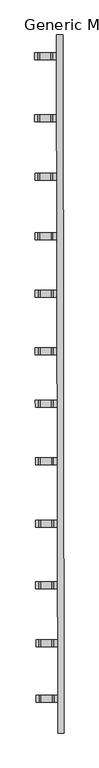
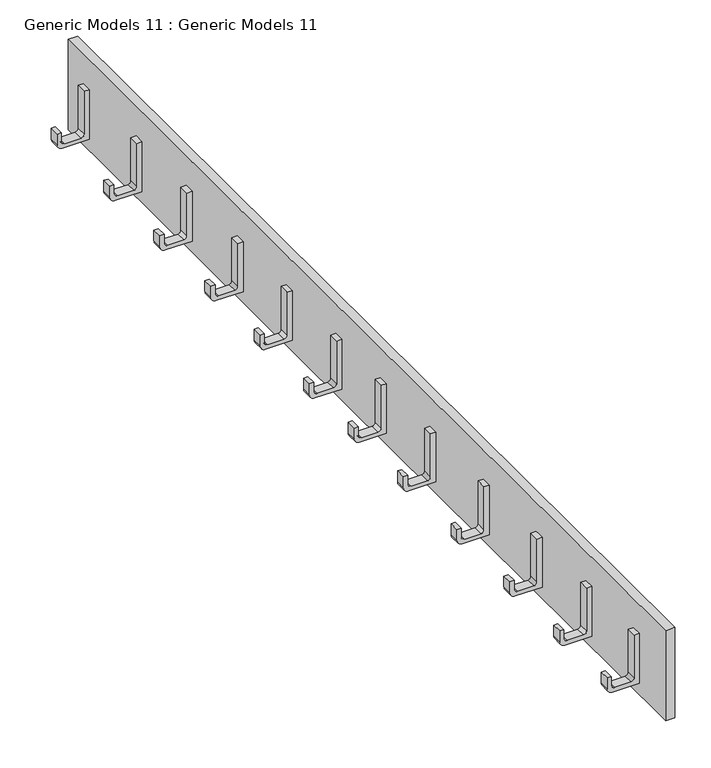
"""IFC4 building model written with IfcOpenShell, lengths in millimetres: proxy geometry, Generic Models 11 : Generic Models 11."""

from ifc_helpers import new_model, si_unit, point, frame, frame_2d, origin, place, context, project, spatial, polyline, circle_curve, trimmed, segment, composite_curve, outline, extrude, source, transform, mapped, element, save


def generic_models_11_generic_models_11_9617f641(model_context):
    return source(origin(), model_context, "Body", "SweptSolid", [
        extrude(outline(composite_curve([segment(trimmed(circle_curve(frame_2d((73.8551506, 4.522658)), 4.522658), [point((73.8551506, 0.0))], [point((78.3778085, 4.522658))], True, "CARTESIAN"), True, "CONTINUOUS"), segment(polyline([(78.3778085, 4.522658), (78.3778085, 31.1352465)]), True, "CONTINUOUS"), segment(trimmed(circle_curve(frame_2d((72.6226439, 31.1352465)), 5.7551646), [point((78.3778085, 31.1352465))], [point((72.6226439, 36.8904112))], True, "CARTESIAN"), True, "CONTINUOUS"), segment(polyline([(72.6226439, 36.8904112), (57.7873774, 36.8904112), (57.7873774, 43.6591897), (76.2819351, 43.6591897)]), True, "CONTINUOUS"), segment(trimmed(circle_curve(frame_2d((76.2819351, 35.0786331)), 8.5805566), [point((76.2819351, 43.6591897))], [point((84.8624918, 35.0786331))], False, "CARTESIAN"), True, "CONTINUOUS"), segment(polyline([(84.8624918, 35.0786331), (84.8624918, -8.37418), (0.0, -8.37418), (0.0, 0.0), (73.8551506, 0.0)]), True, "CONTINUOUS")], self_intersect=False)), frame((-40921.6108133, 48640.8245581, 110284.4159556), z_axis=(-0.0016554873055277012, 0.9999986296799518, 0.0), x_axis=(0.0, 0.0, -1.0)), (0.0, 0.0, 1.0), 16.4817711),
        extrude(outline(composite_curve([segment(trimmed(circle_curve(frame_2d((0.0, 4.5226579)), 4.522658), [point((-4.5226579, 4.5226579))], [point((0.0, 0.0))], True, "CARTESIAN"), True, "CONTINUOUS"), segment(polyline([(0.0, 0.0), (26.6125886, 0.0)]), True, "CONTINUOUS"), segment(trimmed(circle_curve(frame_2d((26.6125886, 5.7551646)), 5.7551646), [point((26.6125886, 0.0))], [point((32.3677532, 5.7551646))], True, "CARTESIAN"), True, "CONTINUOUS"), segment(polyline([(32.3677532, 5.7551646), (32.3677532, 20.5904311), (39.1365317, 20.5904311), (39.1365317, 2.0958734)]), True, "CONTINUOUS"), segment(trimmed(circle_curve(frame_2d((30.5559752, 2.0958734)), 8.5805566), [point((39.1365317, 2.0958734))], [point((30.5559752, -6.4846833))], False, "CARTESIAN"), True, "CONTINUOUS"), segment(polyline([(30.5559752, -6.4846833), (-12.896838, -6.4846833), (-12.896838, 78.3778085), (-4.5226579, 78.3778085), (-4.5226579, 4.5226579)]), True, "CONTINUOUS")], self_intersect=False)), frame((-40925.9888628, 48498.4699622, 110206.0381471), z_axis=(-0.001655487305867182, 0.9999986296799511, 0.0), x_axis=(-0.9999986296799511, -0.001655487305867182, 0.0)), (0.0, 0.0, 1.0), 16.4817711),
        extrude(outline(composite_curve([segment(trimmed(circle_curve(frame_2d((0.0, 4.5226579)), 4.522658), [point((-4.522658, 4.5226579))], [point((0.0, 0.0))], True, "CARTESIAN"), True, "CONTINUOUS"), segment(polyline([(0.0, 0.0), (26.6125886, 0.0)]), True, "CONTINUOUS"), segment(trimmed(circle_curve(frame_2d((26.6125886, 5.7551646)), 5.7551646), [point((26.6125886, 0.0))], [point((32.3677532, 5.7551646))], True, "CARTESIAN"), True, "CONTINUOUS"), segment(polyline([(32.3677532, 5.7551646), (32.3677532, 20.5904311), (39.1365317, 20.5904311), (39.1365317, 2.0958734)]), True, "CONTINUOUS"), segment(trimmed(circle_curve(frame_2d((30.5559751, 2.0958734)), 8.5805566), [point((39.1365317, 2.0958734))], [point((30.5559751, -6.4846833))], False, "CARTESIAN"), True, "CONTINUOUS"), segment(polyline([(30.5559751, -6.4846833), (-12.896838, -6.4846833), (-12.896838, 78.3778085), (-4.522658, 78.3778085), (-4.522658, 4.5226579)]), True, "CONTINUOUS")], self_intersect=False)), frame((-40926.3976256, 48780.3834672, 110206.0381471), z_axis=(-0.001655487305867182, 0.9999986296799511, 0.0), x_axis=(-0.9999986296799511, -0.001655487305867182, 0.0)), (0.0, 0.0, 1.0), 16.4817711),
        extrude(outline(composite_curve([segment(trimmed(circle_curve(frame_2d((73.8551506, 4.522658)), 4.522658), [point((73.8551506, 0.0))], [point((78.3778085, 4.522658))], True, "CARTESIAN"), True, "CONTINUOUS"), segment(polyline([(78.3778085, 4.522658), (78.3778085, 31.1352466)]), True, "CONTINUOUS"), segment(trimmed(circle_curve(frame_2d((72.6226439, 31.1352466)), 5.7551646), [point((78.3778085, 31.1352466))], [point((72.6226439, 36.8904112))], True, "CARTESIAN"), True, "CONTINUOUS"), segment(polyline([(72.6226439, 36.8904112), (57.7873774, 36.8904112), (57.7873774, 43.6591897), (76.2819351, 43.6591897)]), True, "CONTINUOUS"), segment(trimmed(circle_curve(frame_2d((76.2819351, 35.0786331)), 8.5805566), [point((76.2819351, 43.6591897))], [point((84.8624918, 35.0786331))], False, "CARTESIAN"), True, "CONTINUOUS"), segment(polyline([(84.8624918, 35.0786331), (84.8624918, -8.37418), (0.0, -8.37418), (0.0, 0.0), (73.8551506, 0.0)]), True, "CONTINUOUS")], self_intersect=False)), frame((-40922.019576, 48927.7380631, 110284.4159556), z_axis=(-0.0016554873055277012, 0.9999986296799518, 0.0), x_axis=(0.0, 0.0, -1.0)), (0.0, 0.0, 1.0), 16.4817711),
        extrude(outline(composite_curve([segment(trimmed(circle_curve(frame_2d((0.0, 4.5226579)), 4.522658), [point((-4.522658, 4.5226579))], [point((0.0, 0.0))], True, "CARTESIAN"), True, "CONTINUOUS"), segment(polyline([(0.0, 0.0), (26.6125885, 0.0)]), True, "CONTINUOUS"), segment(trimmed(circle_curve(frame_2d((26.6125885, 5.7551646)), 5.7551646), [point((26.6125885, 0.0))], [point((32.3677532, 5.7551646))], True, "CARTESIAN"), True, "CONTINUOUS"), segment(polyline([(32.3677532, 5.7551646), (32.3677532, 20.5904311), (39.1365317, 20.5904311), (39.1365317, 2.0958734)]), True, "CONTINUOUS"), segment(trimmed(circle_curve(frame_2d((30.5559751, 2.0958734)), 8.5805566), [point((39.1365317, 2.0958734))], [point((30.5559751, -6.4846833))], False, "CARTESIAN"), True, "CONTINUOUS"), segment(polyline([(30.5559751, -6.4846833), (-12.8968381, -6.4846833), (-12.8968381, 78.3778085), (-4.522658, 78.3778085), (-4.522658, 4.5226579)]), True, "CONTINUOUS")], self_intersect=False)), frame((-40925.3351503, 48223.5942756, 110206.0381471), z_axis=(-0.001655487305867182, 0.9999986296799511, 0.0), x_axis=(-0.9999986296799511, -0.001655487305867182, 0.0)), (0.0, 0.0, 1.0), 16.4817711),
        extrude(outline(composite_curve([segment(trimmed(circle_curve(frame_2d((73.8551506, 4.5226579)), 4.522658), [point((73.8551506, 0.0))], [point((78.3778085, 4.5226579))], True, "CARTESIAN"), True, "CONTINUOUS"), segment(polyline([(78.3778085, 4.5226579), (78.3778085, 31.1352465)]), True, "CONTINUOUS"), segment(trimmed(circle_curve(frame_2d((72.6226439, 31.1352465)), 5.7551646), [point((78.3778085, 31.1352465))], [point((72.6226439, 36.8904111))], True, "CARTESIAN"), True, "CONTINUOUS"), segment(polyline([(72.6226439, 36.8904111), (57.7873774, 36.8904111), (57.7873774, 43.6591896), (76.2819351, 43.6591896)]), True, "CONTINUOUS"), segment(trimmed(circle_curve(frame_2d((76.2819351, 35.0786331)), 8.5805566), [point((76.2819351, 43.6591896))], [point((84.8624918, 35.0786331))], False, "CARTESIAN"), True, "CONTINUOUS"), segment(polyline([(84.8624918, 35.0786331), (84.8624918, -8.3741801), (0.0, -8.3741801), (0.0, 0.0), (73.8551506, 0.0)]), True, "CONTINUOUS")], self_intersect=False)), frame((-40921.1723138, 48360.9485152, 110284.4159556), z_axis=(-0.0016554873055277012, 0.9999986296799518, 0.0), x_axis=(0.0, 0.0, -1.0)), (0.0, 0.0, 1.0), 16.4817711),
        extrude(outline(composite_curve([segment(trimmed(circle_curve(frame_2d((73.8551506, 4.522658)), 4.522658), [point((73.8551506, 0.0))], [point((78.3778085, 4.522658))], True, "CARTESIAN"), True, "CONTINUOUS"), segment(polyline([(78.3778085, 4.522658), (78.3778085, 31.1352466)]), True, "CONTINUOUS"), segment(trimmed(circle_curve(frame_2d((72.6226439, 31.1352466)), 5.7551646), [point((78.3778085, 31.1352466))], [point((72.6226439, 36.8904112))], True, "CARTESIAN"), True, "CONTINUOUS"), segment(polyline([(72.6226439, 36.8904112), (57.7873774, 36.8904112), (57.7873774, 43.6591897), (76.2819351, 43.6591897)]), True, "CONTINUOUS"), segment(trimmed(circle_curve(frame_2d((76.2819351, 35.0786331)), 8.5805566), [point((76.2819351, 43.6591897))], [point((84.8624918, 35.0786331))], False, "CARTESIAN"), True, "CONTINUOUS"), segment(polyline([(84.8624918, 35.0786331), (84.8624918, -8.37418), (0.0, -8.37418), (0.0, 0.0), (73.8551506, 0.0)]), True, "CONTINUOUS")], self_intersect=False)), frame((-40920.6311122, 48099.0352295, 110284.4159556), z_axis=(-0.0016554873055277012, 0.9999986296799518, 0.0), x_axis=(0.0, 0.0, -1.0)), (0.0, 0.0, 1.0), 16.4817711),
        extrude(outline(composite_curve([segment(trimmed(circle_curve(frame_2d((0.0, 4.5226579)), 4.522658), [point((-4.522658, 4.5226579))], [point((0.0, 0.0))], True, "CARTESIAN"), True, "CONTINUOUS"), segment(polyline([(0.0, 0.0), (26.6125885, 0.0)]), True, "CONTINUOUS"), segment(trimmed(circle_curve(frame_2d((26.6125885, 5.7551646)), 5.7551646), [point((26.6125885, 0.0))], [point((32.3677532, 5.7551646))], True, "CARTESIAN"), True, "CONTINUOUS"), segment(polyline([(32.3677532, 5.7551646), (32.3677532, 20.5904311), (39.1365317, 20.5904311), (39.1365317, 2.0958734)]), True, "CONTINUOUS"), segment(trimmed(circle_curve(frame_2d((30.5559751, 2.0958734)), 8.5805566), [point((39.1365317, 2.0958734))], [point((30.5559751, -6.4846833))], False, "CARTESIAN"), True, "CONTINUOUS"), segment(polyline([(30.5559751, -6.4846833), (-12.896838, -6.4846833), (-12.896838, 78.3778085), (-4.522658, 78.3778085), (-4.522658, 4.5226579)]), True, "CONTINUOUS")], self_intersect=False)), frame((-40924.7773939, 47961.6810173, 110206.0381471), z_axis=(-0.001655487305867182, 0.9999986296799511, 0.0), x_axis=(-0.9999986296799511, -0.001655487305867182, 0.0)), (0.0, 0.0, 1.0), 16.4817711),
        extrude(outline(composite_curve([segment(trimmed(circle_curve(frame_2d((0.0, 4.5226579)), 4.522658), [point((-4.522658, 4.5226579))], [point((0.0, 0.0))], True, "CARTESIAN"), True, "CONTINUOUS"), segment(polyline([(0.0, 0.0), (26.6125886, 0.0)]), True, "CONTINUOUS"), segment(trimmed(circle_curve(frame_2d((26.6125886, 5.7551646)), 5.7551646), [point((26.6125886, 0.0))], [point((32.3677532, 5.7551646))], True, "CARTESIAN"), True, "CONTINUOUS"), segment(polyline([(32.3677532, 5.7551646), (32.3677532, 20.5904311), (39.1365317, 20.5904311), (39.1365317, 2.0958734)]), True, "CONTINUOUS"), segment(trimmed(circle_curve(frame_2d((30.5559751, 2.0958734)), 8.5805566), [point((39.1365317, 2.0958734))], [point((30.5559751, -6.4846833))], False, "CARTESIAN"), True, "CONTINUOUS"), segment(polyline([(30.5559751, -6.4846833), (-12.896838, -6.4846833), (-12.896838, 78.3778085), (-4.522658, 78.3778085), (-4.522658, 4.5226579)]), True, "CONTINUOUS")], self_intersect=False)), frame((-40924.0799931, 47665.415424, 110206.0381471), z_axis=(-0.001655487305867182, 0.9999986296799511, 0.0), x_axis=(-0.9999986296799511, -0.001655487305867182, 0.0)), (0.0, 0.0, 1.0), 16.4817711),
        extrude(outline(composite_curve([segment(trimmed(circle_curve(frame_2d((73.8551506, 4.522658)), 4.522658), [point((73.8551506, 0.0))], [point((78.3778085, 4.522658))], True, "CARTESIAN"), True, "CONTINUOUS"), segment(polyline([(78.3778085, 4.522658), (78.3778085, 31.1352465)]), True, "CONTINUOUS"), segment(trimmed(circle_curve(frame_2d((72.6226439, 31.1352465)), 5.7551646), [point((78.3778085, 31.1352465))], [point((72.6226439, 36.8904111))], True, "CARTESIAN"), True, "CONTINUOUS"), segment(polyline([(72.6226439, 36.8904111), (57.7873774, 36.8904111), (57.7873774, 43.6591897), (76.2819351, 43.6591897)]), True, "CONTINUOUS"), segment(trimmed(circle_curve(frame_2d((76.2819351, 35.0786331)), 8.5805566), [point((76.2819351, 43.6591897))], [point((84.8624918, 35.0786331))], False, "CARTESIAN"), True, "CONTINUOUS"), segment(polyline([(84.8624918, 35.0786331), (84.8624918, -8.3741801), (0.0, -8.3741801), (0.0, 0.0), (73.8551506, 0.0)]), True, "CONTINUOUS")], self_intersect=False)), frame((-40919.9171566, 47812.7696636, 110284.4159556), z_axis=(-0.0016554873055277012, 0.9999986296799518, 0.0), x_axis=(0.0, 0.0, -1.0)), (0.0, 0.0, 1.0), 16.4817711),
        extrude(outline(composite_curve([segment(trimmed(circle_curve(frame_2d((73.8551506, 4.522658)), 4.522658), [point((73.8551506, 0.0))], [point((78.3778085, 4.522658))], True, "CARTESIAN"), True, "CONTINUOUS"), segment(polyline([(78.3778085, 4.522658), (78.3778085, 31.1352465)]), True, "CONTINUOUS"), segment(trimmed(circle_curve(frame_2d((72.6226439, 31.1352465)), 5.7551646), [point((78.3778085, 31.1352465))], [point((72.6226439, 36.8904112))], True, "CARTESIAN"), True, "CONTINUOUS"), segment(polyline([(72.6226439, 36.8904112), (57.7873774, 36.8904112), (57.7873774, 43.6591897), (76.2819351, 43.6591897)]), True, "CONTINUOUS"), segment(trimmed(circle_curve(frame_2d((76.2819351, 35.0786331)), 8.5805566), [point((76.2819351, 43.6591897))], [point((84.8624918, 35.0786331))], False, "CARTESIAN"), True, "CONTINUOUS"), segment(polyline([(84.8624918, 35.0786331), (84.8624918, -8.3741801), (0.0, -8.3741801), (0.0, 0.0), (73.8551506, 0.0)]), True, "CONTINUOUS")], self_intersect=False)), frame((-40919.2618015, 47526.9018144, 110284.4159556), z_axis=(-0.0016554873055277012, 0.9999986296799518, 0.0), x_axis=(0.0, 0.0, -1.0)), (0.0, 0.0, 1.0), 16.4817711),
        extrude(outline(composite_curve([segment(trimmed(circle_curve(frame_2d((0.0, 4.5226579)), 4.522658), [point((-4.5226579, 4.5226579))], [point((0.0, 0.0))], True, "CARTESIAN"), True, "CONTINUOUS"), segment(polyline([(0.0, 0.0), (26.6125886, 0.0)]), True, "CONTINUOUS"), segment(trimmed(circle_curve(frame_2d((26.6125886, 5.7551646)), 5.7551646), [point((26.6125886, 0.0))], [point((32.3677532, 5.7551646))], True, "CARTESIAN"), True, "CONTINUOUS"), segment(polyline([(32.3677532, 5.7551646), (32.3677532, 20.5904311), (39.1365317, 20.5904311), (39.1365317, 2.0958734)]), True, "CONTINUOUS"), segment(trimmed(circle_curve(frame_2d((30.5559752, 2.0958734)), 8.5805566), [point((39.1365317, 2.0958734))], [point((30.5559752, -6.4846833))], False, "CARTESIAN"), True, "CONTINUOUS"), segment(polyline([(30.5559752, -6.4846833), (-12.896838, -6.4846833), (-12.896838, 78.3778085), (-4.5226579, 78.3778085), (-4.5226579, 4.5226579)]), True, "CONTINUOUS")], self_intersect=False)), frame((-40923.4080831, 47394.5476021, 110206.0381471), z_axis=(-0.001655487305867182, 0.9999986296799511, 0.0), x_axis=(-0.9999986296799511, -0.001655487305867182, 0.0)), (0.0, 0.0, 1.0), 16.4817711),
        extrude(outline(polyline([(-40910.3893316, 47320.9668104), (-40913.1476402, 48987.1256591), (-40898.1116532, 48987.150551), (-40895.3533445, 47320.9917023), (-40910.3893316, 47320.9668104)])), frame((0.0, 0.0, 110179.5327858), z_axis=(0.0, 0.0, 1.0), x_axis=(1.0, 0.0, 0.0)), (0.0, 0.0, 1.0), 154.23809),
    ])


if __name__ == "__main__":
    model = new_model("IFC4")
    model_context = context("Model", 3, world=origin())
    ifc_project = project(units=[si_unit("LENGTHUNIT", "METRE", prefix="MILLI")], contexts=[model_context])
    site = spatial("IfcSite", under=ifc_project)
    building = spatial("IfcBuilding", under=site)
    placement = place(None, origin())
    generic_models_11_generic_models_11_shape = generic_models_11_generic_models_11_9617f641(model_context)
    element("IfcBuildingElementProxy", 1, Name="Generic Models 11 : Generic Models 11", ObjectType="Generic Models 11 : Generic Models 11", at=placement, inside=building, context=model_context, shape_type="MappedRepresentation", body=[
        mapped(generic_models_11_generic_models_11_shape, transform((0.0, 0.0, 0.0), x_axis=(1.0, 0.0, 0.0), y_axis=(0.0, 1.0, 0.0), z_axis=(0.0, 0.0, 1.0))),
    ])
    save(model, "model.ifc")
